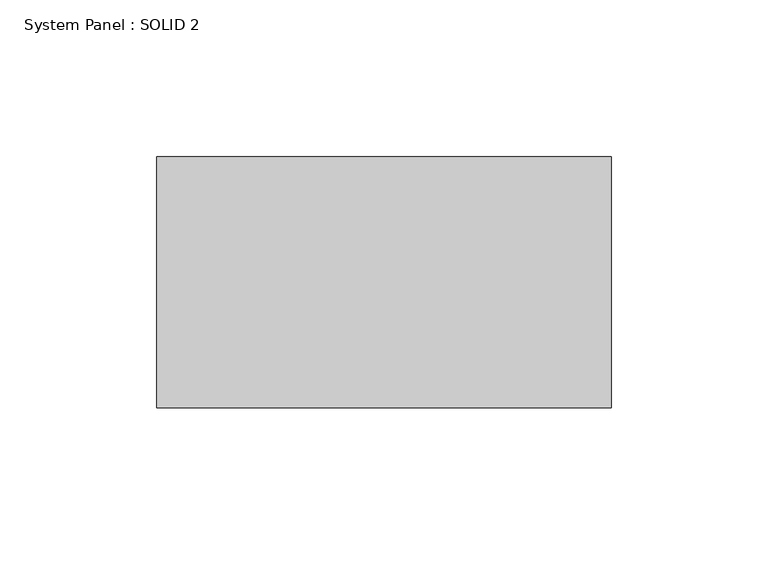
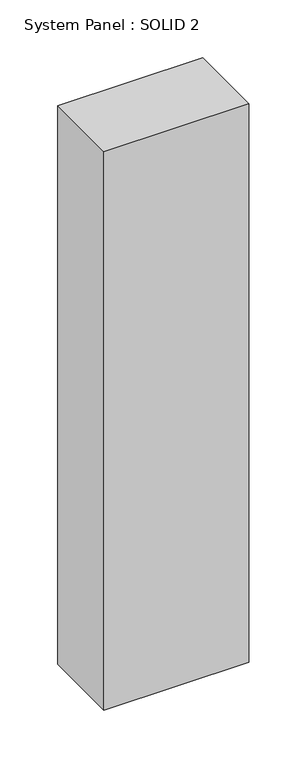
"""IFC4 building model written with IfcOpenShell, lengths in millimetres: plate geometry, System Panel : SOLID 2."""

from ifc_helpers import new_model, si_unit, origin, origin_with_axes, place, context, project, spatial, polyline, outline, extrude, source, transform, mapped, element, save


def system_panel_solid_2_9c8fb600(model_context):
    return source(origin(), model_context, "Body", "SweptSolid", [
        extrude(outline(polyline([(72.5, 80.0), (-72.5, 80.0), (-72.5, 160.0), (72.5, 160.0), (72.5, 80.0)])), origin_with_axes(), (0.0, 0.0, 1.0), 591.0),
    ])


if __name__ == "__main__":
    model = new_model("IFC4")
    model_context = context("Model", 3, world=origin())
    ifc_project = project(units=[si_unit("LENGTHUNIT", "METRE", prefix="MILLI")], contexts=[model_context])
    site = spatial("IfcSite", under=ifc_project)
    building = spatial("IfcBuilding", under=site)
    placement = place(None, origin())
    system_panel_solid_2_shape = system_panel_solid_2_9c8fb600(model_context)
    element("IfcPlate", 1, ObjectType="System Panel : SOLID 2", at=placement, inside=building, context=model_context, shape_type="MappedRepresentation", body=[
        mapped(system_panel_solid_2_shape, transform((0.0, 0.0, 0.0), x_axis=(1.0, 0.0, 0.0), y_axis=(0.0, 1.0, 0.0), z_axis=(0.0, 0.0, 1.0))),
    ])
    save(model, "model.ifc")
